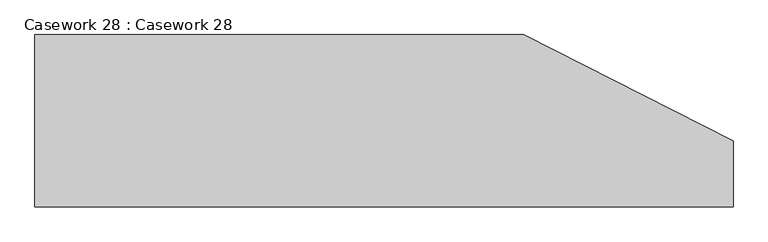
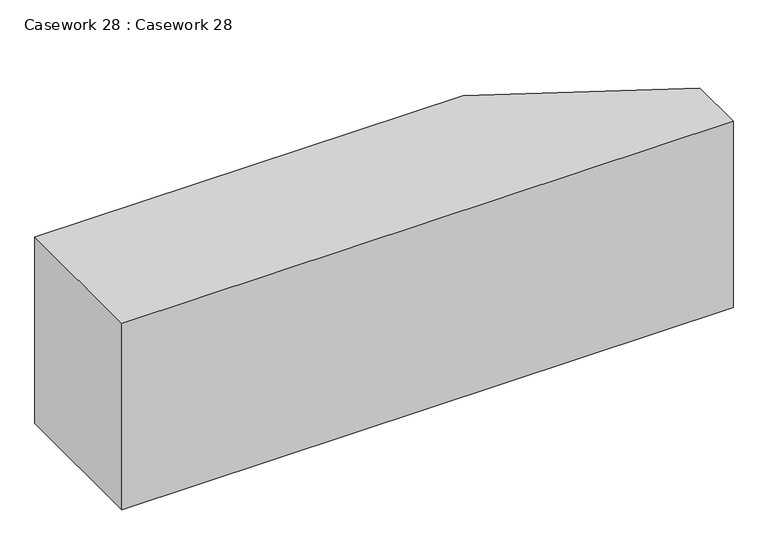
"""IFC4 building model written with IfcOpenShell, lengths in millimetres: furniture geometry, Casework 28 : Casework 28."""

from ifc_helpers import new_model, si_unit, frame, origin, place, context, project, spatial, polyline, outline, extrude, source, transform, mapped, element, save


def casework_28_casework_28_3d3c201e(model_context):
    return source(origin(), model_context, "Body", "SweptSolid", [
        extrude(outline(polyline([(-23510.472954, 30616.2858422), (-22592.7477487, 30148.6814945), (-22592.7477487, 29860.6358422), (-25657.0103773, 29860.6358422), (-25657.0103773, 30616.2858422), (-23510.472954, 30616.2858422)])), frame((0.0, 0.0, -6654.8), z_axis=(0.0, 0.0, 1.0), x_axis=(1.0, 0.0, 0.0)), (0.0, 0.0, 1.0), 989.0755023),
    ])


if __name__ == "__main__":
    model = new_model("IFC4")
    model_context = context("Model", 3, world=origin())
    ifc_project = project(units=[si_unit("LENGTHUNIT", "METRE", prefix="MILLI")], contexts=[model_context])
    site = spatial("IfcSite", under=ifc_project)
    building = spatial("IfcBuilding", under=site)
    placement = place(None, origin())
    casework_28_casework_28_shape = casework_28_casework_28_3d3c201e(model_context)
    element("IfcFurniture", 1, ObjectType="Casework 28 : Casework 28", at=placement, inside=building, context=model_context, shape_type="MappedRepresentation", body=[
        mapped(casework_28_casework_28_shape, transform((0.0, 0.0, 0.0), x_axis=(1.0, 0.0, 0.0), y_axis=(0.0, 1.0, 0.0), z_axis=(0.0, 0.0, 1.0))),
    ])
    save(model, "model.ifc")
